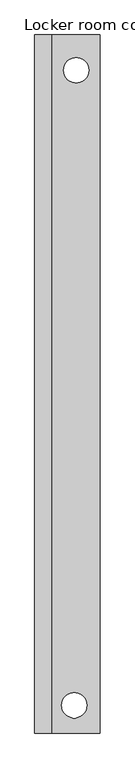
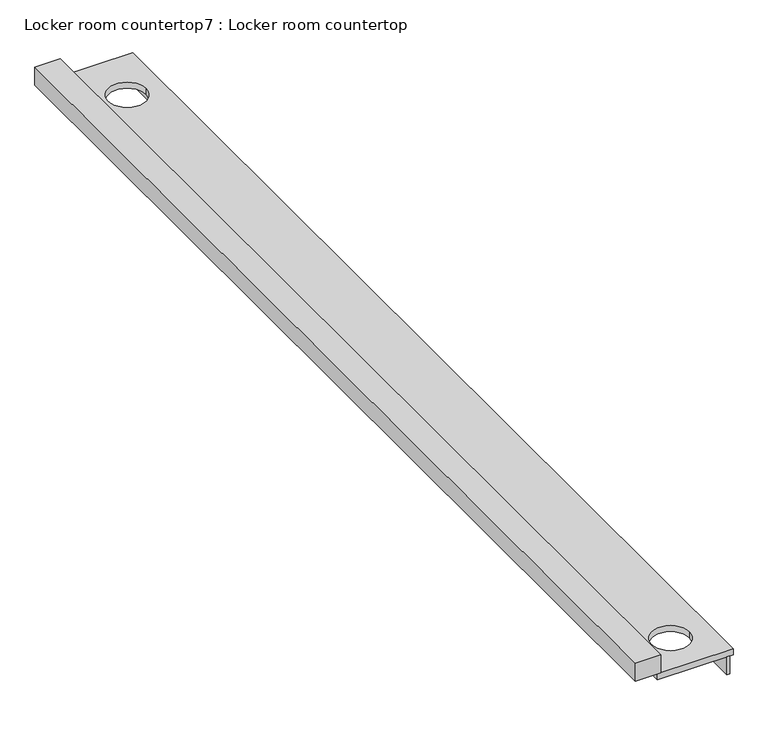
"""IFC4 building model written with IfcOpenShell, lengths in millimetres: furniture geometry, Locker room countertop7 : Locker room countertop."""

from ifc_helpers import new_model, si_unit, point, frame, frame_2d, origin, place, context, project, spatial, polyline, circle_curve, trimmed, segment, composite_curve, outline, extrude, source, transform, mapped, element, save


def locker_room_countertop7_locker_room_countertop_0c715e49(model_context):
    return source(origin(), model_context, "Body", "SweptSolid", [
        extrude(outline(polyline([(452880.2004676, -270764.8080223), (452854.8004676, -270764.8080223), (452854.8004676, -262382.8080223), (452880.2004676, -262382.8080223), (452880.2004676, -270764.8080223)])), frame((0.0, 0.0, 660.4), z_axis=(0.0, 0.0, 1.0), x_axis=(1.0, 0.0, 0.0)), (0.0, 0.0, 1.0), 152.4),
        extrude(outline(polyline([(452321.4004676, -262382.8080223), (452321.4004676, -270764.8080223), (452118.2004676, -270764.8080223), (452118.2004676, -262382.8080223), (452321.4004676, -262382.8080223)])), frame((0.0, 0.0, 863.6), z_axis=(0.0, 0.0, 1.0), x_axis=(1.0, 0.0, 0.0)), (0.0, 0.0, 1.0), 152.4),
        extrude(outline(polyline([(452905.6004676, -262382.8080223), (452905.6004676, -270764.8080223), (452296.0004676, -270764.8080223), (452296.0004676, -262382.8080223), (452905.6004676, -262382.8080223)]), holes=[composite_curve([segment(trimmed(circle_curve(frame_2d((452616.9061793, -262807.2737766)), 152.4), [point((452464.5061793, -262807.2737766))], [point((452769.3061793, -262807.2737766))], True, "CARTESIAN"), True, "CONTINUOUS"), segment(trimmed(circle_curve(frame_2d((452616.9061793, -262807.2737766)), 152.4), [point((452769.3061793, -262807.2737766))], [point((452464.5061793, -262807.2737766))], True, "CARTESIAN"), True, "CONTINUOUS")], self_intersect=False), composite_curve([segment(trimmed(circle_curve(frame_2d((452593.4692313, -270432.2263657)), 152.4), [point((452441.0692313, -270432.2263657))], [point((452745.8692313, -270432.2263657))], True, "CARTESIAN"), True, "CONTINUOUS"), segment(trimmed(circle_curve(frame_2d((452593.4692313, -270432.2263657)), 152.4), [point((452745.8692313, -270432.2263657))], [point((452441.0692313, -270432.2263657))], True, "CARTESIAN"), True, "CONTINUOUS")], self_intersect=False)]), frame((0.0, 0.0, 812.8), z_axis=(0.0, 0.0, 1.0), x_axis=(1.0, 0.0, 0.0)), (0.0, 0.0, 1.0), 50.8),
    ])


if __name__ == "__main__":
    model = new_model("IFC4")
    model_context = context("Model", 3, world=origin())
    ifc_project = project(units=[si_unit("LENGTHUNIT", "METRE", prefix="MILLI")], contexts=[model_context])
    site = spatial("IfcSite", under=ifc_project)
    building = spatial("IfcBuilding", under=site)
    placement = place(None, origin())
    locker_room_countertop7_locker_room_countertop_shape = locker_room_countertop7_locker_room_countertop_0c715e49(model_context)
    element("IfcFurniture", 1, ObjectType="Locker room countertop7 : Locker room countertop", at=placement, inside=building, context=model_context, shape_type="MappedRepresentation", body=[
        mapped(locker_room_countertop7_locker_room_countertop_shape, transform((0.0, 0.0, 0.0), x_axis=(1.0, 0.0, 0.0), y_axis=(0.0, 1.0, 0.0), z_axis=(0.0, 0.0, 1.0))),
    ])
    save(model, "model.ifc")
